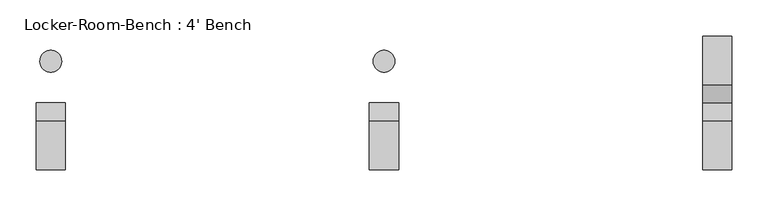
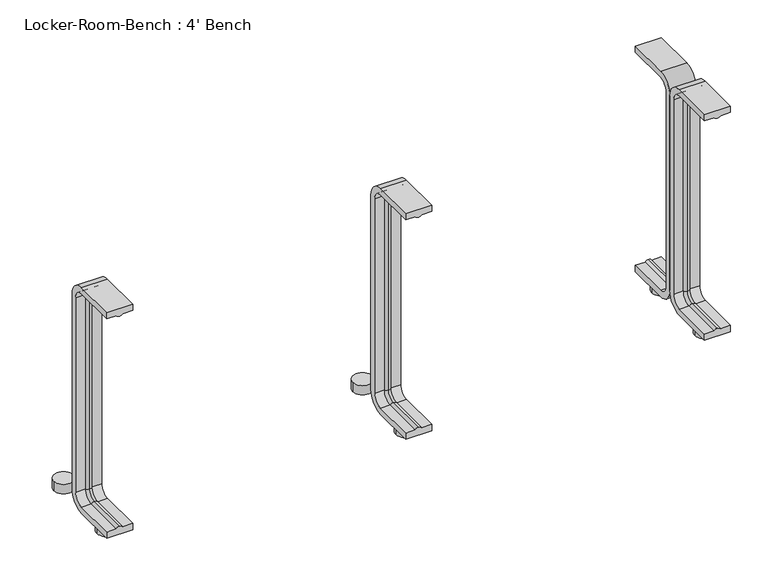
"""IFC4 building model written with IfcOpenShell, lengths in millimetres: furniture geometry, Locker-Room-Bench : 4' Bench."""

from ifc_helpers import new_model, si_unit, point, frame, frame_2d, origin, origin_with_axes, place, context, project, spatial, polyline, circle_curve, ellipse_curve, trimmed, segment, composite_curve, outline, extrude, source, transform, mapped, element, save
from ifc_brep_helpers import plane_surface, cylinder_surface, revolved_surface, advanced_brep


def locker_room_bench_4_bench_e8f070b9(model_context):
    return source(origin(), model_context, "Body", "SolidModel", [
        extrude(outline(composite_curve([segment(trimmed(circle_curve(frame_2d((459.6, 57.5)), 15.0), [point((444.6, 57.5))], [point((474.6, 57.5))], False, "CARTESIAN"), True, "CONTINUOUS"), segment(trimmed(circle_curve(frame_2d((459.6, 57.5)), 15.0), [point((474.6, 57.5))], [point((444.6, 57.5))], False, "CARTESIAN"), True, "CONTINUOUS")], self_intersect=False)), origin_with_axes(), (0.0, 0.0, 1.0), 15.0),
        extrude(outline(composite_curve([segment(trimmed(circle_curve(frame_2d((459.6, -57.5)), 15.0), [point((444.6, -57.5))], [point((474.6, -57.5))], False, "CARTESIAN"), True, "CONTINUOUS"), segment(trimmed(circle_curve(frame_2d((459.6, -57.5)), 15.0), [point((474.6, -57.5))], [point((444.6, -57.5))], False, "CARTESIAN"), True, "CONTINUOUS")], self_intersect=False)), origin_with_axes(), (0.0, 0.0, 1.0), 15.0),
        extrude(outline(composite_curve([segment(trimmed(circle_curve(frame_2d((0.0, 57.5)), 15.0), [point((-15.0, 57.5))], [point((15.0, 57.5))], False, "CARTESIAN"), True, "CONTINUOUS"), segment(trimmed(circle_curve(frame_2d((0.0, 57.5)), 15.0), [point((15.0, 57.5))], [point((-15.0, 57.5))], False, "CARTESIAN"), True, "CONTINUOUS")], self_intersect=False)), origin_with_axes(), (0.0, 0.0, 1.0), 15.0),
        extrude(outline(composite_curve([segment(trimmed(circle_curve(frame_2d((0.0, -57.5)), 15.0), [point((-15.0, -57.5))], [point((15.0, -57.5))], False, "CARTESIAN"), True, "CONTINUOUS"), segment(trimmed(circle_curve(frame_2d((0.0, -57.5)), 15.0), [point((15.0, -57.5))], [point((-15.0, -57.5))], False, "CARTESIAN"), True, "CONTINUOUS")], self_intersect=False)), origin_with_axes(), (0.0, 0.0, 1.0), 15.0),
        extrude(outline(composite_curve([segment(trimmed(circle_curve(frame_2d((-459.6, 57.5)), 15.0), [point((-474.6, 57.5))], [point((-444.6, 57.5))], False, "CARTESIAN"), True, "CONTINUOUS"), segment(trimmed(circle_curve(frame_2d((-459.6, 57.5)), 15.0), [point((-444.6, 57.5))], [point((-474.6, 57.5))], False, "CARTESIAN"), True, "CONTINUOUS")], self_intersect=False)), origin_with_axes(), (0.0, 0.0, 1.0), 15.0),
        extrude(outline(composite_curve([segment(trimmed(circle_curve(frame_2d((-459.6, -57.5)), 15.0), [point((-474.6, -57.5))], [point((-444.6, -57.5))], False, "CARTESIAN"), True, "CONTINUOUS"), segment(trimmed(circle_curve(frame_2d((-459.6, -57.5)), 15.0), [point((-444.6, -57.5))], [point((-474.6, -57.5))], False, "CARTESIAN"), True, "CONTINUOUS")], self_intersect=False)), origin_with_axes(), (0.0, 0.0, 1.0), 15.0),
        advanced_brep(
        [(479.6, -92.0, 381.4), (439.6, -92.0, 381.4), (439.6, -92.0, 371.4), (454.6, -92.0, 371.4), (459.6, -92.0, 369.0684617), (464.6, -92.0, 371.4), (479.6, -92.0, 371.4), (479.6, -25.0, 371.4), (479.6, -10.0, 356.4), (479.6, -10.0, 40.0), (479.6, -25.0, 25.0), (479.6, -92.0, 25.0), (479.6, -92.0, 15.0), (479.6, -25.0, 15.0), (479.6, 0.0, 40.0), (479.6, 0.0, 356.4), (479.6, -25.0, 381.4), (464.6, -25.0, 371.4), (459.6, -25.0, 369.0684617), (454.6, -25.0, 371.4), (439.6, -25.0, 371.4), (439.6, -25.0, 381.4), (439.6, 0.0, 356.4), (439.6, 0.0, 40.0), (439.6, -25.0, 15.0), (439.6, -92.0, 15.0), (439.6, -92.0, 25.0), (439.6, -25.0, 25.0), (439.6, -10.0, 40.0), (439.6, -10.0, 356.4), (464.6, -10.0, 356.4), (459.6, -12.3315383, 356.4), (454.6, -10.0, 356.4), (464.6, -10.0, 40.0), (459.6, -12.3315383, 40.0), (454.6, -10.0, 40.0), (464.6, -25.0, 25.0), (459.6, -25.0, 27.3315383), (454.6, -25.0, 25.0), (464.6, -92.0, 25.0), (459.6, -92.0, 27.3315383), (454.6, -92.0, 25.0)],
        [
            (0, 1),
            (1, 2),
            (2, 3),
            (3, 4, circle_curve(frame((459.3003591, -92.0, 374.9529162), z_axis=(0.0, -1.0, 0.0), x_axis=(0.0, 0.0, -1.0)), 5.8920785)),
            (4, 5, circle_curve(frame((459.8996409, -92.0, 374.9529162), z_axis=(0.0, -1.0, 0.0), x_axis=(0.0, 0.0, -1.0)), 5.8920785)),
            (5, 6),
            (6, 0),
            (6, 7),
            (7, 8, circle_curve(frame((479.6, -25.0, 356.4), z_axis=(-1.0, 0.0, 0.0), x_axis=(0.0, 0.0, 1.0)), 15.0)),
            (8, 9),
            (9, 10, circle_curve(frame((479.6, -25.0, 40.0), z_axis=(-1.0, 0.0, 0.0), x_axis=(0.0, 1.0, 0.0)), 15.0)),
            (10, 11),
            (11, 12),
            (12, 13),
            (13, 14, circle_curve(frame((479.6, -25.0, 40.0), z_axis=(1.0, 0.0, 0.0), x_axis=(0.0, 1.0, 0.0)), 25.0)),
            (14, 15),
            (15, 16, circle_curve(frame((479.6, -25.0, 356.4), z_axis=(1.0, 0.0, 0.0), x_axis=(0.0, 0.0, 1.0)), 25.0)),
            (16, 0),
            (5, 17),
            (17, 7),
            (4, 18),
            (18, 17, circle_curve(frame((459.8996409, -25.0, 374.9529162), z_axis=(0.0, -1.0, 0.0), x_axis=(0.0, 0.0, -1.0)), 5.8920785)),
            (3, 19),
            (19, 18, circle_curve(frame((459.3003591, -25.0, 374.9529162), z_axis=(0.0, -1.0, 0.0), x_axis=(0.0, 0.0, -1.0)), 5.8920785)),
            (2, 20),
            (20, 19),
            (1, 21),
            (21, 22, circle_curve(frame((439.6, -25.0, 356.4), z_axis=(-1.0, 0.0, 0.0), x_axis=(0.0, 0.0, 1.0)), 25.0)),
            (22, 23),
            (23, 24, circle_curve(frame((439.6, -25.0, 40.0), z_axis=(-1.0, 0.0, 0.0), x_axis=(0.0, 1.0, 0.0)), 25.0)),
            (24, 25),
            (25, 26),
            (26, 27),
            (27, 28, circle_curve(frame((439.6, -25.0, 40.0), z_axis=(1.0, 0.0, 0.0), x_axis=(0.0, 1.0, 0.0)), 15.0)),
            (28, 29),
            (29, 20, circle_curve(frame((439.6, -25.0, 356.4), z_axis=(1.0, 0.0, 0.0), x_axis=(0.0, 0.0, 1.0)), 15.0)),
            (16, 21),
            (30, 8),
            (17, 30, circle_curve(frame((464.6, -25.0, 356.4), z_axis=(-1.0, 0.0, 0.0), x_axis=(0.0, 0.0, 1.0)), 15.0)),
            (31, 30, circle_curve(frame((459.8996409, -6.4470838, 356.4), z_axis=(0.0, 0.0, 1.0), x_axis=(0.0, -1.0, 0.0)), 5.8920785)),
            (18, 31, circle_curve(frame((459.6, -25.0, 356.4), z_axis=(-1.0, 0.0, 0.0), x_axis=(0.0, 0.0, 1.0)), 12.6684617)),
            (32, 31, circle_curve(frame((459.3003591, -6.4470838, 356.4), z_axis=(0.0, 0.0, 1.0), x_axis=(0.0, -1.0, 0.0)), 5.8920785)),
            (19, 32, circle_curve(frame((454.6, -25.0, 356.4), z_axis=(-1.0, 0.0, 0.0), x_axis=(0.0, 0.0, 1.0)), 15.0)),
            (29, 32),
            (15, 22),
            (30, 33),
            (33, 9),
            (31, 34),
            (34, 33, circle_curve(frame((459.8996409, -6.4470838, 40.0), z_axis=(0.0, 0.0, 1.0), x_axis=(0.0, -1.0, 0.0)), 5.8920785)),
            (32, 35),
            (35, 34, circle_curve(frame((459.3003591, -6.4470838, 40.0), z_axis=(0.0, 0.0, 1.0), x_axis=(0.0, -1.0, 0.0)), 5.8920785)),
            (28, 35),
            (14, 23),
            (36, 10),
            (33, 36, circle_curve(frame((464.6, -25.0, 40.0), z_axis=(-1.0, 0.0, 0.0), x_axis=(0.0, 1.0, 0.0)), 15.0)),
            (37, 36, circle_curve(frame((459.8996409, -25.0, 21.4470838), z_axis=(0.0, 1.0, 0.0), x_axis=(0.0, 0.0, 1.0)), 5.8920785)),
            (34, 37, circle_curve(frame((459.6, -25.0, 40.0), z_axis=(-1.0, 0.0, 0.0), x_axis=(0.0, 1.0, 0.0)), 12.6684617)),
            (38, 37, circle_curve(frame((459.3003591, -25.0, 21.4470838), z_axis=(0.0, 1.0, 0.0), x_axis=(0.0, 0.0, 1.0)), 5.8920785)),
            (35, 38, circle_curve(frame((454.6, -25.0, 40.0), z_axis=(-1.0, 0.0, 0.0), x_axis=(0.0, 1.0, 0.0)), 15.0)),
            (27, 38),
            (13, 24),
            (11, 39),
            (39, 40, circle_curve(frame((459.8996409, -92.0, 21.4470838), z_axis=(0.0, -1.0, 0.0), x_axis=(0.0, 0.0, 1.0)), 5.8920785)),
            (40, 41, circle_curve(frame((459.3003591, -92.0, 21.4470838), z_axis=(0.0, -1.0, 0.0), x_axis=(0.0, 0.0, 1.0)), 5.8920785)),
            (41, 26),
            (25, 12),
            (36, 39),
            (37, 40),
            (38, 41),
        ],
        [
            plane_surface(frame((459.6, -92.0, 381.4), z_axis=(0.0, -1.0, 0.0), x_axis=(1.0, 0.0, 0.0))),
            plane_surface(frame((479.6, -92.0, 381.4), z_axis=(1.0, 0.0, 0.0), x_axis=(0.0, 1.0, 0.0))),
            plane_surface(frame((479.6, -92.0, 371.4), z_axis=(0.0, 0.0, -1.0), x_axis=(0.0, 1.0, 0.0))),
            cylinder_surface(frame((459.8996409, -92.0, 374.9529162), z_axis=(0.0, -1.0, 0.0), x_axis=(0.0, 0.0, -1.0)), 5.8920785),
            cylinder_surface(frame((459.3003591, -92.0, 374.9529162), z_axis=(0.0, -1.0, 0.0), x_axis=(0.0, 0.0, -1.0)), 5.8920785),
            plane_surface(frame((454.6, -92.0, 371.4), z_axis=(0.0, 0.0, -1.0), x_axis=(0.0, 1.0, 0.0))),
            plane_surface(frame((439.6, -92.0, 371.4), z_axis=(-1.0, 0.0, 0.0), x_axis=(0.0, 1.0, 0.0))),
            plane_surface(frame((439.6, -92.0, 381.4), z_axis=(0.0, 0.0, 1.0), x_axis=(0.0, 1.0, 0.0))),
            revolved_surface(polyline([(479.6, -25.0, 371.4), (464.6, -25.0, 371.4)]), (459.6, -25.0, 356.4), (1.0, 0.0, 0.0)),
            revolved_surface(trimmed(ellipse_curve(frame((459.8996409, -25.0, 374.9529162), z_axis=(0.0, 1.0, 0.0), x_axis=(0.0, 0.0, -1.0)), 5.8920785, 5.8920785), [point((464.6, -25.0, 371.4))], [point((459.6, -25.0, 369.0684617))], True, "CARTESIAN"), (459.6, -25.0, 356.4), (1.0, 0.0, 0.0)),
            revolved_surface(trimmed(ellipse_curve(frame((459.3003591, -25.0, 374.9529162), z_axis=(0.0, 1.0, 0.0), x_axis=(0.0, 0.0, -1.0)), 5.8920785, 5.8920785), [point((459.6, -25.0, 369.0684617))], [point((454.6, -25.0, 371.4))], True, "CARTESIAN"), (459.6, -25.0, 356.4), (1.0, 0.0, 0.0)),
            revolved_surface(polyline([(454.6, -25.0, 371.4), (439.6, -25.0, 371.4)]), (459.6, -25.0, 356.4), (1.0, 0.0, 0.0)),
            cylinder_surface(frame((459.6, -25.0, 356.4), z_axis=(1.0, 0.0, 0.0), x_axis=(0.0, 0.0, 1.0)), 25.0),
            plane_surface(frame((479.6, -10.0, 356.4), z_axis=(0.0, -1.0, 0.0), x_axis=(0.0, 0.0, -1.0))),
            cylinder_surface(frame((459.8996409, -6.4470838, 356.4), z_axis=(0.0, 0.0, 1.0), x_axis=(0.0, -1.0, 0.0)), 5.8920785),
            cylinder_surface(frame((459.3003591, -6.4470838, 356.4), z_axis=(0.0, 0.0, 1.0), x_axis=(0.0, -1.0, 0.0)), 5.8920785),
            plane_surface(frame((454.6, -10.0, 356.4), z_axis=(0.0, -1.0, 0.0), x_axis=(0.0, 0.0, -1.0))),
            plane_surface(frame((439.6, 0.0, 356.4), z_axis=(0.0, 1.0, 0.0), x_axis=(0.0, 0.0, -1.0))),
            revolved_surface(polyline([(479.6, -10.0, 40.0), (464.6, -10.0, 40.0)]), (459.6, -25.0, 40.0), (1.0, 0.0, 0.0)),
            revolved_surface(trimmed(ellipse_curve(frame((459.8996409, -6.4470838, 40.0), z_axis=(0.0, 0.0, -1.0), x_axis=(0.0, -1.0, 0.0)), 5.8920785, 5.8920785), [point((464.6, -10.0, 40.0))], [point((459.6, -12.3315383, 40.0))], True, "CARTESIAN"), (459.6, -25.0, 40.0), (1.0, 0.0, 0.0)),
            revolved_surface(trimmed(ellipse_curve(frame((459.3003591, -6.4470838, 40.0), z_axis=(0.0, 0.0, -1.0), x_axis=(0.0, -1.0, 0.0)), 5.8920785, 5.8920785), [point((459.6, -12.3315383, 40.0))], [point((454.6, -10.0, 40.0))], True, "CARTESIAN"), (459.6, -25.0, 40.0), (1.0, 0.0, 0.0)),
            revolved_surface(polyline([(454.6, -10.0, 40.0), (439.6, -10.0, 40.0)]), (459.6, -25.0, 40.0), (1.0, 0.0, 0.0)),
            cylinder_surface(frame((459.6, -25.0, 40.0), z_axis=(1.0, 0.0, 0.0), x_axis=(0.0, 1.0, 0.0)), 25.0),
            plane_surface(frame((459.6, -92.0, 15.0), z_axis=(0.0, -1.0, 0.0), x_axis=(1.0, 0.0, 0.0))),
            plane_surface(frame((479.6, -25.0, 25.0), z_axis=(0.0, 0.0, 1.0), x_axis=(0.0, -1.0, 0.0))),
            cylinder_surface(frame((459.8996409, -25.0, 21.4470838), z_axis=(0.0, 1.0, 0.0), x_axis=(0.0, 0.0, 1.0)), 5.8920785),
            cylinder_surface(frame((459.3003591, -25.0, 21.4470838), z_axis=(0.0, 1.0, 0.0), x_axis=(0.0, 0.0, 1.0)), 5.8920785),
            plane_surface(frame((454.6, -25.0, 25.0), z_axis=(0.0, 0.0, 1.0), x_axis=(0.0, -1.0, 0.0))),
            plane_surface(frame((439.6, -25.0, 15.0), z_axis=(0.0, 0.0, -1.0), x_axis=(0.0, -1.0, 0.0))),
        ],
        [
            (0, [[1, 2, 3, 4, 5, 6, 7]]),
            (1, [[8, 9, 10, 11, 12, 13, 14, 15, 16, 17, 18, -7]]),
            (2, [[19, 20, -8, -6]]),
            (3, [[21, 22, -19, -5]]),
            (4, [[23, 24, -21, -4]]),
            (5, [[25, 26, -23, -3]]),
            (6, [[27, 28, 29, 30, 31, 32, 33, 34, 35, 36, -25, -2]]),
            (7, [[-18, 37, -27, -1]]),
            (8, [[38, -9, -20, 39]]),
            (9, [[40, -39, -22, 41]]),
            (10, [[42, -41, -24, 43]]),
            (11, [[44, -43, -26, -36]]),
            (12, [[45, -28, -37, -17]]),
            (13, [[46, 47, -10, -38]]),
            (14, [[48, 49, -46, -40]]),
            (15, [[50, 51, -48, -42]]),
            (16, [[-35, 52, -50, -44]]),
            (17, [[-16, 53, -29, -45]]),
            (18, [[54, -11, -47, 55]]),
            (19, [[56, -55, -49, 57]]),
            (20, [[58, -57, -51, 59]]),
            (21, [[60, -59, -52, -34]]),
            (22, [[61, -30, -53, -15]]),
            (23, [[-13, 62, 63, 64, 65, -32, 66]]),
            (24, [[67, -62, -12, -54]]),
            (25, [[68, -63, -67, -56]]),
            (26, [[69, -64, -68, -58]]),
            (27, [[-33, -65, -69, -60]]),
            (28, [[-14, -66, -31, -61]]),
        ],
    ),
        advanced_brep(
        [(20.0, -92.0, 381.4), (-20.0, -92.0, 381.4), (-20.0, -92.0, 371.4), (-5.0, -92.0, 371.4), (0.0, -92.0, 369.0684617), (5.0, -92.0, 371.4), (20.0, -92.0, 371.4), (20.0, -25.0, 371.4), (20.0, -10.0, 356.4), (20.0, -10.0, 40.0), (20.0, -25.0, 25.0), (20.0, -92.0, 25.0), (20.0, -92.0, 15.0), (20.0, -25.0, 15.0), (20.0, 0.0, 40.0), (20.0, 0.0, 356.4), (20.0, -25.0, 381.4), (5.0, -25.0, 371.4), (0.0, -25.0, 369.0684617), (-5.0, -25.0, 371.4), (-20.0, -25.0, 371.4), (-20.0, -25.0, 381.4), (-20.0, 0.0, 356.4), (-20.0, 0.0, 40.0), (-20.0, -25.0, 15.0), (-20.0, -92.0, 15.0), (-20.0, -92.0, 25.0), (-20.0, -25.0, 25.0), (-20.0, -10.0, 40.0), (-20.0, -10.0, 356.4), (5.0, -10.0, 356.4), (0.0, -12.3315383, 356.4), (-5.0, -10.0, 356.4), (5.0, -10.0, 40.0), (0.0, -12.3315383, 40.0), (-5.0, -10.0, 40.0), (5.0, -25.0, 25.0), (0.0, -25.0, 27.3315383), (-5.0, -25.0, 25.0), (5.0, -92.0, 25.0), (0.0, -92.0, 27.3315383), (-5.0, -92.0, 25.0)],
        [
            (0, 1),
            (1, 2),
            (2, 3),
            (3, 4, circle_curve(frame((-0.2996409, -92.0, 374.9529162), z_axis=(0.0, -1.0, 0.0), x_axis=(0.0, 0.0, -1.0)), 5.8920785)),
            (4, 5, circle_curve(frame((0.2996409, -92.0, 374.9529162), z_axis=(0.0, -1.0, 0.0), x_axis=(0.0, 0.0, -1.0)), 5.8920785)),
            (5, 6),
            (6, 0),
            (6, 7),
            (7, 8, circle_curve(frame((20.0, -25.0, 356.4), z_axis=(-1.0, 0.0, 0.0), x_axis=(0.0, 0.0, 1.0)), 15.0)),
            (8, 9),
            (9, 10, circle_curve(frame((20.0, -25.0, 40.0), z_axis=(-1.0, 0.0, 0.0), x_axis=(0.0, 1.0, 0.0)), 15.0)),
            (10, 11),
            (11, 12),
            (12, 13),
            (13, 14, circle_curve(frame((20.0, -25.0, 40.0), z_axis=(1.0, 0.0, 0.0), x_axis=(0.0, 1.0, 0.0)), 25.0)),
            (14, 15),
            (15, 16, circle_curve(frame((20.0, -25.0, 356.4), z_axis=(1.0, 0.0, 0.0), x_axis=(0.0, 0.0, 1.0)), 25.0)),
            (16, 0),
            (5, 17),
            (17, 7),
            (4, 18),
            (18, 17, circle_curve(frame((0.2996409, -25.0, 374.9529162), z_axis=(0.0, -1.0, 0.0), x_axis=(0.0, 0.0, -1.0)), 5.8920785)),
            (3, 19),
            (19, 18, circle_curve(frame((-0.2996409, -25.0, 374.9529162), z_axis=(0.0, -1.0, 0.0), x_axis=(0.0, 0.0, -1.0)), 5.8920785)),
            (2, 20),
            (20, 19),
            (1, 21),
            (21, 22, circle_curve(frame((-20.0, -25.0, 356.4), z_axis=(-1.0, 0.0, 0.0), x_axis=(0.0, 0.0, 1.0)), 25.0)),
            (22, 23),
            (23, 24, circle_curve(frame((-20.0, -25.0, 40.0), z_axis=(-1.0, 0.0, 0.0), x_axis=(0.0, 1.0, 0.0)), 25.0)),
            (24, 25),
            (25, 26),
            (26, 27),
            (27, 28, circle_curve(frame((-20.0, -25.0, 40.0), z_axis=(1.0, 0.0, 0.0), x_axis=(0.0, 1.0, 0.0)), 15.0)),
            (28, 29),
            (29, 20, circle_curve(frame((-20.0, -25.0, 356.4), z_axis=(1.0, 0.0, 0.0), x_axis=(0.0, 0.0, 1.0)), 15.0)),
            (16, 21),
            (30, 8),
            (17, 30, circle_curve(frame((5.0, -25.0, 356.4), z_axis=(-1.0, 0.0, 0.0), x_axis=(0.0, 0.0, 1.0)), 15.0)),
            (31, 30, circle_curve(frame((0.2996409, -6.4470838, 356.4), z_axis=(0.0, 0.0, 1.0), x_axis=(0.0, -1.0, 0.0)), 5.8920785)),
            (18, 31, circle_curve(frame((0.0, -25.0, 356.4), z_axis=(-1.0, 0.0, 0.0), x_axis=(0.0, 0.0, 1.0)), 12.6684617)),
            (32, 31, circle_curve(frame((-0.2996409, -6.4470838, 356.4), z_axis=(0.0, 0.0, 1.0), x_axis=(0.0, -1.0, 0.0)), 5.8920785)),
            (19, 32, circle_curve(frame((-5.0, -25.0, 356.4), z_axis=(-1.0, 0.0, 0.0), x_axis=(0.0, 0.0, 1.0)), 15.0)),
            (29, 32),
            (15, 22),
            (30, 33),
            (33, 9),
            (31, 34),
            (34, 33, circle_curve(frame((0.2996409, -6.4470838, 40.0), z_axis=(0.0, 0.0, 1.0), x_axis=(0.0, -1.0, 0.0)), 5.8920785)),
            (32, 35),
            (35, 34, circle_curve(frame((-0.2996409, -6.4470838, 40.0), z_axis=(0.0, 0.0, 1.0), x_axis=(0.0, -1.0, 0.0)), 5.8920785)),
            (28, 35),
            (14, 23),
            (36, 10),
            (33, 36, circle_curve(frame((5.0, -25.0, 40.0), z_axis=(-1.0, 0.0, 0.0), x_axis=(0.0, 1.0, 0.0)), 15.0)),
            (37, 36, circle_curve(frame((0.2996409, -25.0, 21.4470838), z_axis=(0.0, 1.0, 0.0), x_axis=(0.0, 0.0, 1.0)), 5.8920785)),
            (34, 37, circle_curve(frame((0.0, -25.0, 40.0), z_axis=(-1.0, 0.0, 0.0), x_axis=(0.0, 1.0, 0.0)), 12.6684617)),
            (38, 37, circle_curve(frame((-0.2996409, -25.0, 21.4470838), z_axis=(0.0, 1.0, 0.0), x_axis=(0.0, 0.0, 1.0)), 5.8920785)),
            (35, 38, circle_curve(frame((-5.0, -25.0, 40.0), z_axis=(-1.0, 0.0, 0.0), x_axis=(0.0, 1.0, 0.0)), 15.0)),
            (27, 38),
            (13, 24),
            (11, 39),
            (39, 40, circle_curve(frame((0.2996409, -92.0, 21.4470838), z_axis=(0.0, -1.0, 0.0), x_axis=(0.0, 0.0, 1.0)), 5.8920785)),
            (40, 41, circle_curve(frame((-0.2996409, -92.0, 21.4470838), z_axis=(0.0, -1.0, 0.0), x_axis=(0.0, 0.0, 1.0)), 5.8920785)),
            (41, 26),
            (25, 12),
            (36, 39),
            (37, 40),
            (38, 41),
        ],
        [
            plane_surface(frame((0.0, -92.0, 381.4), z_axis=(0.0, -1.0, 0.0), x_axis=(1.0, 0.0, 0.0))),
            plane_surface(frame((20.0, -92.0, 381.4), z_axis=(1.0, 0.0, 0.0), x_axis=(0.0, 1.0, 0.0))),
            plane_surface(frame((20.0, -92.0, 371.4), z_axis=(0.0, 0.0, -1.0), x_axis=(0.0, 1.0, 0.0))),
            cylinder_surface(frame((0.2996409, -92.0, 374.9529162), z_axis=(0.0, -1.0, 0.0), x_axis=(0.0, 0.0, -1.0)), 5.8920785),
            cylinder_surface(frame((-0.2996409, -92.0, 374.9529162), z_axis=(0.0, -1.0, 0.0), x_axis=(0.0, 0.0, -1.0)), 5.8920785),
            plane_surface(frame((-5.0, -92.0, 371.4), z_axis=(0.0, 0.0, -1.0), x_axis=(0.0, 1.0, 0.0))),
            plane_surface(frame((-20.0, -92.0, 371.4), z_axis=(-1.0, 0.0, 0.0), x_axis=(0.0, 1.0, 0.0))),
            plane_surface(frame((-20.0, -92.0, 381.4), z_axis=(0.0, 0.0, 1.0), x_axis=(0.0, 1.0, 0.0))),
            revolved_surface(polyline([(20.0, -25.0, 371.4), (5.0, -25.0, 371.4)]), (0.0, -25.0, 356.4), (1.0, 0.0, 0.0)),
            revolved_surface(trimmed(ellipse_curve(frame((0.2996409, -25.0, 374.9529162), z_axis=(0.0, 1.0, 0.0), x_axis=(0.0, 0.0, -1.0)), 5.8920785, 5.8920785), [point((5.0, -25.0, 371.4))], [point((0.0, -25.0, 369.0684617))], True, "CARTESIAN"), (0.0, -25.0, 356.4), (1.0, 0.0, 0.0)),
            revolved_surface(trimmed(ellipse_curve(frame((-0.2996409, -25.0, 374.9529162), z_axis=(0.0, 1.0, 0.0), x_axis=(0.0, 0.0, -1.0)), 5.8920785, 5.8920785), [point((0.0, -25.0, 369.0684617))], [point((-5.0, -25.0, 371.4))], True, "CARTESIAN"), (0.0, -25.0, 356.4), (1.0, 0.0, 0.0)),
            revolved_surface(polyline([(-5.0, -25.0, 371.4), (-20.0, -25.0, 371.4)]), (0.0, -25.0, 356.4), (1.0, 0.0, 0.0)),
            cylinder_surface(frame((0.0, -25.0, 356.4), z_axis=(1.0, 0.0, 0.0), x_axis=(0.0, 0.0, 1.0)), 25.0),
            plane_surface(frame((20.0, -10.0, 356.4), z_axis=(0.0, -1.0, 0.0), x_axis=(0.0, 0.0, -1.0))),
            cylinder_surface(frame((0.2996409, -6.4470838, 356.4), z_axis=(0.0, 0.0, 1.0), x_axis=(0.0, -1.0, 0.0)), 5.8920785),
            cylinder_surface(frame((-0.2996409, -6.4470838, 356.4), z_axis=(0.0, 0.0, 1.0), x_axis=(0.0, -1.0, 0.0)), 5.8920785),
            plane_surface(frame((-5.0, -10.0, 356.4), z_axis=(0.0, -1.0, 0.0), x_axis=(0.0, 0.0, -1.0))),
            plane_surface(frame((-20.0, 0.0, 356.4), z_axis=(0.0, 1.0, 0.0), x_axis=(0.0, 0.0, -1.0))),
            revolved_surface(polyline([(20.0, -10.0, 40.0), (5.0, -10.0, 40.0)]), (0.0, -25.0, 40.0), (1.0, 0.0, 0.0)),
            revolved_surface(trimmed(ellipse_curve(frame((0.2996409, -6.4470838, 40.0), z_axis=(0.0, 0.0, -1.0), x_axis=(0.0, -1.0, 0.0)), 5.8920785, 5.8920785), [point((5.0, -10.0, 40.0))], [point((0.0, -12.3315383, 40.0))], True, "CARTESIAN"), (0.0, -25.0, 40.0), (1.0, 0.0, 0.0)),
            revolved_surface(trimmed(ellipse_curve(frame((-0.2996409, -6.4470838, 40.0), z_axis=(0.0, 0.0, -1.0), x_axis=(0.0, -1.0, 0.0)), 5.8920785, 5.8920785), [point((0.0, -12.3315383, 40.0))], [point((-5.0, -10.0, 40.0))], True, "CARTESIAN"), (0.0, -25.0, 40.0), (1.0, 0.0, 0.0)),
            revolved_surface(polyline([(-5.0, -10.0, 40.0), (-20.0, -10.0, 40.0)]), (0.0, -25.0, 40.0), (1.0, 0.0, 0.0)),
            cylinder_surface(frame((0.0, -25.0, 40.0), z_axis=(1.0, 0.0, 0.0), x_axis=(0.0, 1.0, 0.0)), 25.0),
            plane_surface(frame((0.0, -92.0, 15.0), z_axis=(0.0, -1.0, 0.0), x_axis=(1.0, 0.0, 0.0))),
            plane_surface(frame((20.0, -25.0, 25.0), z_axis=(0.0, 0.0, 1.0), x_axis=(0.0, -1.0, 0.0))),
            cylinder_surface(frame((0.2996409, -25.0, 21.4470838), z_axis=(0.0, 1.0, 0.0), x_axis=(0.0, 0.0, 1.0)), 5.8920785),
            cylinder_surface(frame((-0.2996409, -25.0, 21.4470838), z_axis=(0.0, 1.0, 0.0), x_axis=(0.0, 0.0, 1.0)), 5.8920785),
            plane_surface(frame((-5.0, -25.0, 25.0), z_axis=(0.0, 0.0, 1.0), x_axis=(0.0, -1.0, 0.0))),
            plane_surface(frame((-20.0, -25.0, 15.0), z_axis=(0.0, 0.0, -1.0), x_axis=(0.0, -1.0, 0.0))),
        ],
        [
            (0, [[1, 2, 3, 4, 5, 6, 7]]),
            (1, [[8, 9, 10, 11, 12, 13, 14, 15, 16, 17, 18, -7]]),
            (2, [[19, 20, -8, -6]]),
            (3, [[21, 22, -19, -5]]),
            (4, [[23, 24, -21, -4]]),
            (5, [[25, 26, -23, -3]]),
            (6, [[27, 28, 29, 30, 31, 32, 33, 34, 35, 36, -25, -2]]),
            (7, [[-18, 37, -27, -1]]),
            (8, [[38, -9, -20, 39]]),
            (9, [[40, -39, -22, 41]]),
            (10, [[42, -41, -24, 43]]),
            (11, [[44, -43, -26, -36]]),
            (12, [[45, -28, -37, -17]]),
            (13, [[46, 47, -10, -38]]),
            (14, [[48, 49, -46, -40]]),
            (15, [[50, 51, -48, -42]]),
            (16, [[-35, 52, -50, -44]]),
            (17, [[-16, 53, -29, -45]]),
            (18, [[54, -11, -47, 55]]),
            (19, [[56, -55, -49, 57]]),
            (20, [[58, -57, -51, 59]]),
            (21, [[60, -59, -52, -34]]),
            (22, [[61, -30, -53, -15]]),
            (23, [[-13, 62, 63, 64, 65, -32, 66]]),
            (24, [[67, -62, -12, -54]]),
            (25, [[68, -63, -67, -56]]),
            (26, [[69, -64, -68, -58]]),
            (27, [[-33, -65, -69, -60]]),
            (28, [[-14, -66, -31, -61]]),
        ],
    ),
        advanced_brep(
        [(-439.6, -92.0, 381.4), (-479.6, -92.0, 381.4), (-479.6, -92.0, 371.4), (-464.6, -92.0, 371.4), (-459.6, -92.0, 369.0684617), (-454.6, -92.0, 371.4), (-439.6, -92.0, 371.4), (-439.6, -25.0, 371.4), (-439.6, -10.0, 356.4), (-439.6, -10.0, 40.0), (-439.6, -25.0, 25.0), (-439.6, -92.0, 25.0), (-439.6, -92.0, 15.0), (-439.6, -25.0, 15.0), (-439.6, 0.0, 40.0), (-439.6, 0.0, 356.4), (-439.6, -25.0, 381.4), (-454.6, -25.0, 371.4), (-459.6, -25.0, 369.0684617), (-464.6, -25.0, 371.4), (-479.6, -25.0, 371.4), (-479.6, -25.0, 381.4), (-479.6, 0.0, 356.4), (-479.6, 0.0, 40.0), (-479.6, -25.0, 15.0), (-479.6, -92.0, 15.0), (-479.6, -92.0, 25.0), (-479.6, -25.0, 25.0), (-479.6, -10.0, 40.0), (-479.6, -10.0, 356.4), (-454.6, -10.0, 356.4), (-459.6, -12.3315383, 356.4), (-464.6, -10.0, 356.4), (-454.6, -10.0, 40.0), (-459.6, -12.3315383, 40.0), (-464.6, -10.0, 40.0), (-454.6, -25.0, 25.0), (-459.6, -25.0, 27.3315383), (-464.6, -25.0, 25.0), (-454.6, -92.0, 25.0), (-459.6, -92.0, 27.3315383), (-464.6, -92.0, 25.0)],
        [
            (0, 1),
            (1, 2),
            (2, 3),
            (3, 4, circle_curve(frame((-459.8996409, -92.0, 374.9529162), z_axis=(0.0, -1.0, 0.0), x_axis=(0.0, 0.0, -1.0)), 5.8920785)),
            (4, 5, circle_curve(frame((-459.3003591, -92.0, 374.9529162), z_axis=(0.0, -1.0, 0.0), x_axis=(0.0, 0.0, -1.0)), 5.8920785)),
            (5, 6),
            (6, 0),
            (6, 7),
            (7, 8, circle_curve(frame((-439.6, -25.0, 356.4), z_axis=(-1.0, 0.0, 0.0), x_axis=(0.0, 0.0, 1.0)), 15.0)),
            (8, 9),
            (9, 10, circle_curve(frame((-439.6, -25.0, 40.0), z_axis=(-1.0, 0.0, 0.0), x_axis=(0.0, 1.0, 0.0)), 15.0)),
            (10, 11),
            (11, 12),
            (12, 13),
            (13, 14, circle_curve(frame((-439.6, -25.0, 40.0), z_axis=(1.0, 0.0, 0.0), x_axis=(0.0, 1.0, 0.0)), 25.0)),
            (14, 15),
            (15, 16, circle_curve(frame((-439.6, -25.0, 356.4), z_axis=(1.0, 0.0, 0.0), x_axis=(0.0, 0.0, 1.0)), 25.0)),
            (16, 0),
            (5, 17),
            (17, 7),
            (4, 18),
            (18, 17, circle_curve(frame((-459.3003591, -25.0, 374.9529162), z_axis=(0.0, -1.0, 0.0), x_axis=(0.0, 0.0, -1.0)), 5.8920785)),
            (3, 19),
            (19, 18, circle_curve(frame((-459.8996409, -25.0, 374.9529162), z_axis=(0.0, -1.0, 0.0), x_axis=(0.0, 0.0, -1.0)), 5.8920785)),
            (2, 20),
            (20, 19),
            (1, 21),
            (21, 22, circle_curve(frame((-479.6, -25.0, 356.4), z_axis=(-1.0, 0.0, 0.0), x_axis=(0.0, 0.0, 1.0)), 25.0)),
            (22, 23),
            (23, 24, circle_curve(frame((-479.6, -25.0, 40.0), z_axis=(-1.0, 0.0, 0.0), x_axis=(0.0, 1.0, 0.0)), 25.0)),
            (24, 25),
            (25, 26),
            (26, 27),
            (27, 28, circle_curve(frame((-479.6, -25.0, 40.0), z_axis=(1.0, 0.0, 0.0), x_axis=(0.0, 1.0, 0.0)), 15.0)),
            (28, 29),
            (29, 20, circle_curve(frame((-479.6, -25.0, 356.4), z_axis=(1.0, 0.0, 0.0), x_axis=(0.0, 0.0, 1.0)), 15.0)),
            (16, 21),
            (30, 8),
            (17, 30, circle_curve(frame((-454.6, -25.0, 356.4), z_axis=(-1.0, 0.0, 0.0), x_axis=(0.0, 0.0, 1.0)), 15.0)),
            (31, 30, circle_curve(frame((-459.3003591, -6.4470838, 356.4), z_axis=(0.0, 0.0, 1.0), x_axis=(0.0, -1.0, 0.0)), 5.8920785)),
            (18, 31, circle_curve(frame((-459.6, -25.0, 356.4), z_axis=(-1.0, 0.0, 0.0), x_axis=(0.0, 0.0, 1.0)), 12.6684617)),
            (32, 31, circle_curve(frame((-459.8996409, -6.4470838, 356.4), z_axis=(0.0, 0.0, 1.0), x_axis=(0.0, -1.0, 0.0)), 5.8920785)),
            (19, 32, circle_curve(frame((-464.6, -25.0, 356.4), z_axis=(-1.0, 0.0, 0.0), x_axis=(0.0, 0.0, 1.0)), 15.0)),
            (29, 32),
            (15, 22),
            (30, 33),
            (33, 9),
            (31, 34),
            (34, 33, circle_curve(frame((-459.3003591, -6.4470838, 40.0), z_axis=(0.0, 0.0, 1.0), x_axis=(0.0, -1.0, 0.0)), 5.8920785)),
            (32, 35),
            (35, 34, circle_curve(frame((-459.8996409, -6.4470838, 40.0), z_axis=(0.0, 0.0, 1.0), x_axis=(0.0, -1.0, 0.0)), 5.8920785)),
            (28, 35),
            (14, 23),
            (36, 10),
            (33, 36, circle_curve(frame((-454.6, -25.0, 40.0), z_axis=(-1.0, 0.0, 0.0), x_axis=(0.0, 1.0, 0.0)), 15.0)),
            (37, 36, circle_curve(frame((-459.3003591, -25.0, 21.4470838), z_axis=(0.0, 1.0, 0.0), x_axis=(0.0, 0.0, 1.0)), 5.8920785)),
            (34, 37, circle_curve(frame((-459.6, -25.0, 40.0), z_axis=(-1.0, 0.0, 0.0), x_axis=(0.0, 1.0, 0.0)), 12.6684617)),
            (38, 37, circle_curve(frame((-459.8996409, -25.0, 21.4470838), z_axis=(0.0, 1.0, 0.0), x_axis=(0.0, 0.0, 1.0)), 5.8920785)),
            (35, 38, circle_curve(frame((-464.6, -25.0, 40.0), z_axis=(-1.0, 0.0, 0.0), x_axis=(0.0, 1.0, 0.0)), 15.0)),
            (27, 38),
            (13, 24),
            (11, 39),
            (39, 40, circle_curve(frame((-459.3003591, -92.0, 21.4470838), z_axis=(0.0, -1.0, 0.0), x_axis=(0.0, 0.0, 1.0)), 5.8920785)),
            (40, 41, circle_curve(frame((-459.8996409, -92.0, 21.4470838), z_axis=(0.0, -1.0, 0.0), x_axis=(0.0, 0.0, 1.0)), 5.8920785)),
            (41, 26),
            (25, 12),
            (36, 39),
            (37, 40),
            (38, 41),
        ],
        [
            plane_surface(frame((-459.6, -92.0, 381.4), z_axis=(0.0, -1.0, 0.0), x_axis=(1.0, 0.0, 0.0))),
            plane_surface(frame((-439.6, -92.0, 381.4), z_axis=(1.0, 0.0, 0.0), x_axis=(0.0, 1.0, 0.0))),
            plane_surface(frame((-439.6, -92.0, 371.4), z_axis=(0.0, 0.0, -1.0), x_axis=(0.0, 1.0, 0.0))),
            cylinder_surface(frame((-459.3003591, -92.0, 374.9529162), z_axis=(0.0, -1.0, 0.0), x_axis=(0.0, 0.0, -1.0)), 5.8920785),
            cylinder_surface(frame((-459.8996409, -92.0, 374.9529162), z_axis=(0.0, -1.0, 0.0), x_axis=(0.0, 0.0, -1.0)), 5.8920785),
            plane_surface(frame((-464.6, -92.0, 371.4), z_axis=(0.0, 0.0, -1.0), x_axis=(0.0, 1.0, 0.0))),
            plane_surface(frame((-479.6, -92.0, 371.4), z_axis=(-1.0, 0.0, 0.0), x_axis=(0.0, 1.0, 0.0))),
            plane_surface(frame((-479.6, -92.0, 381.4), z_axis=(0.0, 0.0, 1.0), x_axis=(0.0, 1.0, 0.0))),
            revolved_surface(polyline([(-439.6, -25.0, 371.4), (-454.6, -25.0, 371.4)]), (-459.6, -25.0, 356.4), (1.0, 0.0, 0.0)),
            revolved_surface(trimmed(ellipse_curve(frame((-459.3003591, -25.0, 374.9529162), z_axis=(0.0, 1.0, 0.0), x_axis=(0.0, 0.0, -1.0)), 5.8920785, 5.8920785), [point((-454.6, -25.0, 371.4))], [point((-459.6, -25.0, 369.0684617))], True, "CARTESIAN"), (-459.6, -25.0, 356.4), (1.0, 0.0, 0.0)),
            revolved_surface(trimmed(ellipse_curve(frame((-459.8996409, -25.0, 374.9529162), z_axis=(0.0, 1.0, 0.0), x_axis=(0.0, 0.0, -1.0)), 5.8920785, 5.8920785), [point((-459.6, -25.0, 369.0684617))], [point((-464.6, -25.0, 371.4))], True, "CARTESIAN"), (-459.6, -25.0, 356.4), (1.0, 0.0, 0.0)),
            revolved_surface(polyline([(-464.6, -25.0, 371.4), (-479.6, -25.0, 371.4)]), (-459.6, -25.0, 356.4), (1.0, 0.0, 0.0)),
            cylinder_surface(frame((-459.6, -25.0, 356.4), z_axis=(1.0, 0.0, 0.0), x_axis=(0.0, 0.0, 1.0)), 25.0),
            plane_surface(frame((-439.6, -10.0, 356.4), z_axis=(0.0, -1.0, 0.0), x_axis=(0.0, 0.0, -1.0))),
            cylinder_surface(frame((-459.3003591, -6.4470838, 356.4), z_axis=(0.0, 0.0, 1.0), x_axis=(0.0, -1.0, 0.0)), 5.8920785),
            cylinder_surface(frame((-459.8996409, -6.4470838, 356.4), z_axis=(0.0, 0.0, 1.0), x_axis=(0.0, -1.0, 0.0)), 5.8920785),
            plane_surface(frame((-464.6, -10.0, 356.4), z_axis=(0.0, -1.0, 0.0), x_axis=(0.0, 0.0, -1.0))),
            plane_surface(frame((-479.6, 0.0, 356.4), z_axis=(0.0, 1.0, 0.0), x_axis=(0.0, 0.0, -1.0))),
            revolved_surface(polyline([(-439.6, -10.0, 40.0), (-454.6, -10.0, 40.0)]), (-459.6, -25.0, 40.0), (1.0, 0.0, 0.0)),
            revolved_surface(trimmed(ellipse_curve(frame((-459.3003591, -6.4470838, 40.0), z_axis=(0.0, 0.0, -1.0), x_axis=(0.0, -1.0, 0.0)), 5.8920785, 5.8920785), [point((-454.6, -10.0, 40.0))], [point((-459.6, -12.3315383, 40.0))], True, "CARTESIAN"), (-459.6, -25.0, 40.0), (1.0, 0.0, 0.0)),
            revolved_surface(trimmed(ellipse_curve(frame((-459.8996409, -6.4470838, 40.0), z_axis=(0.0, 0.0, -1.0), x_axis=(0.0, -1.0, 0.0)), 5.8920785, 5.8920785), [point((-459.6, -12.3315383, 40.0))], [point((-464.6, -10.0, 40.0))], True, "CARTESIAN"), (-459.6, -25.0, 40.0), (1.0, 0.0, 0.0)),
            revolved_surface(polyline([(-464.6, -10.0, 40.0), (-479.6, -10.0, 40.0)]), (-459.6, -25.0, 40.0), (1.0, 0.0, 0.0)),
            cylinder_surface(frame((-459.6, -25.0, 40.0), z_axis=(1.0, 0.0, 0.0), x_axis=(0.0, 1.0, 0.0)), 25.0),
            plane_surface(frame((-459.6, -92.0, 15.0), z_axis=(0.0, -1.0, 0.0), x_axis=(1.0, 0.0, 0.0))),
            plane_surface(frame((-439.6, -25.0, 25.0), z_axis=(0.0, 0.0, 1.0), x_axis=(0.0, -1.0, 0.0))),
            cylinder_surface(frame((-459.3003591, -25.0, 21.4470838), z_axis=(0.0, 1.0, 0.0), x_axis=(0.0, 0.0, 1.0)), 5.8920785),
            cylinder_surface(frame((-459.8996409, -25.0, 21.4470838), z_axis=(0.0, 1.0, 0.0), x_axis=(0.0, 0.0, 1.0)), 5.8920785),
            plane_surface(frame((-464.6, -25.0, 25.0), z_axis=(0.0, 0.0, 1.0), x_axis=(0.0, -1.0, 0.0))),
            plane_surface(frame((-479.6, -25.0, 15.0), z_axis=(0.0, 0.0, -1.0), x_axis=(0.0, -1.0, 0.0))),
        ],
        [
            (0, [[1, 2, 3, 4, 5, 6, 7]]),
            (1, [[8, 9, 10, 11, 12, 13, 14, 15, 16, 17, 18, -7]]),
            (2, [[19, 20, -8, -6]]),
            (3, [[21, 22, -19, -5]]),
            (4, [[23, 24, -21, -4]]),
            (5, [[25, 26, -23, -3]]),
            (6, [[27, 28, 29, 30, 31, 32, 33, 34, 35, 36, -25, -2]]),
            (7, [[-18, 37, -27, -1]]),
            (8, [[38, -9, -20, 39]]),
            (9, [[40, -39, -22, 41]]),
            (10, [[42, -41, -24, 43]]),
            (11, [[44, -43, -26, -36]]),
            (12, [[45, -28, -37, -17]]),
            (13, [[46, 47, -10, -38]]),
            (14, [[48, 49, -46, -40]]),
            (15, [[50, 51, -48, -42]]),
            (16, [[-35, 52, -50, -44]]),
            (17, [[-16, 53, -29, -45]]),
            (18, [[54, -11, -47, 55]]),
            (19, [[56, -55, -49, 57]]),
            (20, [[58, -57, -51, 59]]),
            (21, [[60, -59, -52, -34]]),
            (22, [[61, -30, -53, -15]]),
            (23, [[-13, 62, 63, 64, 65, -32, 66]]),
            (24, [[67, -62, -12, -54]]),
            (25, [[68, -63, -67, -56]]),
            (26, [[69, -64, -68, -58]]),
            (27, [[-33, -65, -69, -60]]),
            (28, [[-14, -66, -31, -61]]),
        ],
    ),
        advanced_brep(
        [(479.6, 92.0, 381.4), (479.6, 92.0, 371.4), (464.6, 92.0, 371.4), (459.6, 92.0, 369.0684617), (454.6, 92.0, 371.4), (439.6, 92.0, 371.4), (439.6, 92.0, 381.4), (439.6, 25.0, 381.4), (479.6, 25.0, 381.4), (439.6, 25.0, 371.4), (439.6, 10.0, 356.4), (439.6, 10.0, 40.0), (439.6, 25.0, 25.0), (439.6, 92.0, 25.0), (439.6, 92.0, 15.0), (439.6, 25.0, 15.0), (439.6, 0.0, 40.0), (439.6, 0.0, 356.4), (454.6, 25.0, 371.4), (459.6, 25.0, 369.0684617), (464.6, 25.0, 371.4), (479.6, 25.0, 371.4), (479.6, 0.0, 356.4), (479.6, 0.0, 40.0), (479.6, 25.0, 15.0), (479.6, 92.0, 15.0), (479.6, 92.0, 25.0), (479.6, 25.0, 25.0), (479.6, 10.0, 40.0), (479.6, 10.0, 356.4), (454.6, 10.0, 356.4), (459.6, 12.3315383, 356.4), (464.6, 10.0, 356.4), (454.6, 10.0, 40.0), (459.6, 12.3315383, 40.0), (464.6, 10.0, 40.0), (454.6, 25.0, 25.0), (459.6, 25.0, 27.3315383), (464.6, 25.0, 25.0), (454.6, 92.0, 25.0), (459.6, 92.0, 27.3315383), (464.6, 92.0, 25.0)],
        [
            (0, 1),
            (1, 2),
            (2, 3, circle_curve(frame((459.8996409, 92.0, 374.9529162), z_axis=(0.0, 1.0, 0.0), x_axis=(0.0, 0.0, 1.0)), 5.8920785)),
            (3, 4, circle_curve(frame((459.3003591, 92.0, 374.9529162), z_axis=(0.0, 1.0, 0.0), x_axis=(0.0, 0.0, 1.0)), 5.8920785)),
            (4, 5),
            (5, 6),
            (6, 0),
            (6, 7),
            (7, 8),
            (8, 0),
            (5, 9),
            (9, 10, circle_curve(frame((439.6, 25.0, 356.4), z_axis=(1.0, 0.0, 0.0), x_axis=(0.0, 0.0, 1.0)), 15.0)),
            (10, 11),
            (11, 12, circle_curve(frame((439.6, 25.0, 40.0), z_axis=(1.0, 0.0, 0.0), x_axis=(0.0, -1.0, 0.0)), 15.0)),
            (12, 13),
            (13, 14),
            (14, 15),
            (15, 16, circle_curve(frame((439.6, 25.0, 40.0), z_axis=(-1.0, 0.0, 0.0), x_axis=(0.0, -1.0, 0.0)), 25.0)),
            (16, 17),
            (17, 7, circle_curve(frame((439.6, 25.0, 356.4), z_axis=(-1.0, 0.0, 0.0), x_axis=(0.0, 0.0, 1.0)), 25.0)),
            (4, 18),
            (18, 9),
            (3, 19),
            (19, 18, circle_curve(frame((459.3003591, 25.0, 374.9529162), z_axis=(0.0, 1.0, 0.0), x_axis=(0.0, 0.0, 1.0)), 5.8920785)),
            (2, 20),
            (20, 19, circle_curve(frame((459.8996409, 25.0, 374.9529162), z_axis=(0.0, 1.0, 0.0), x_axis=(0.0, 0.0, 1.0)), 5.8920785)),
            (1, 21),
            (21, 20),
            (8, 22, circle_curve(frame((479.6, 25.0, 356.4), z_axis=(1.0, 0.0, 0.0), x_axis=(0.0, 0.0, 1.0)), 25.0)),
            (22, 23),
            (23, 24, circle_curve(frame((479.6, 25.0, 40.0), z_axis=(1.0, 0.0, 0.0), x_axis=(0.0, -1.0, 0.0)), 25.0)),
            (24, 25),
            (25, 26),
            (26, 27),
            (27, 28, circle_curve(frame((479.6, 25.0, 40.0), z_axis=(-1.0, 0.0, 0.0), x_axis=(0.0, -1.0, 0.0)), 15.0)),
            (28, 29),
            (29, 21, circle_curve(frame((479.6, 25.0, 356.4), z_axis=(-1.0, 0.0, 0.0), x_axis=(0.0, 0.0, 1.0)), 15.0)),
            (17, 22),
            (30, 10),
            (18, 30, circle_curve(frame((454.6, 25.0, 356.4), z_axis=(1.0, 0.0, 0.0), x_axis=(0.0, 0.0, 1.0)), 15.0)),
            (31, 30, circle_curve(frame((459.3003591, 6.4470838, 356.4), z_axis=(0.0, 0.0, 1.0), x_axis=(0.0, -1.0, 0.0)), 5.8920785)),
            (19, 31, circle_curve(frame((459.6, 25.0, 356.4), z_axis=(1.0, 0.0, 0.0), x_axis=(0.0, 0.0, 1.0)), 12.6684617)),
            (32, 31, circle_curve(frame((459.8996409, 6.4470838, 356.4), z_axis=(0.0, 0.0, 1.0), x_axis=(0.0, -1.0, 0.0)), 5.8920785)),
            (20, 32, circle_curve(frame((464.6, 25.0, 356.4), z_axis=(1.0, 0.0, 0.0), x_axis=(0.0, 0.0, 1.0)), 15.0)),
            (29, 32),
            (16, 23),
            (30, 33),
            (33, 11),
            (31, 34),
            (34, 33, circle_curve(frame((459.3003591, 6.4470838, 40.0), z_axis=(0.0, 0.0, 1.0), x_axis=(0.0, -1.0, 0.0)), 5.8920785)),
            (32, 35),
            (35, 34, circle_curve(frame((459.8996409, 6.4470838, 40.0), z_axis=(0.0, 0.0, 1.0), x_axis=(0.0, -1.0, 0.0)), 5.8920785)),
            (28, 35),
            (15, 24),
            (36, 12),
            (33, 36, circle_curve(frame((454.6, 25.0, 40.0), z_axis=(1.0, 0.0, 0.0), x_axis=(0.0, -1.0, 0.0)), 15.0)),
            (37, 36, circle_curve(frame((459.3003591, 25.0, 21.4470838), z_axis=(0.0, -1.0, 0.0), x_axis=(0.0, 0.0, -1.0)), 5.8920785)),
            (34, 37, circle_curve(frame((459.6, 25.0, 40.0), z_axis=(1.0, 0.0, 0.0), x_axis=(0.0, -1.0, 0.0)), 12.6684617)),
            (38, 37, circle_curve(frame((459.8996409, 25.0, 21.4470838), z_axis=(0.0, -1.0, 0.0), x_axis=(0.0, 0.0, -1.0)), 5.8920785)),
            (35, 38, circle_curve(frame((464.6, 25.0, 40.0), z_axis=(1.0, 0.0, 0.0), x_axis=(0.0, -1.0, 0.0)), 15.0)),
            (27, 38),
            (25, 14),
            (13, 39),
            (39, 40, circle_curve(frame((459.3003591, 92.0, 21.4470838), z_axis=(0.0, 1.0, 0.0), x_axis=(0.0, 0.0, -1.0)), 5.8920785)),
            (40, 41, circle_curve(frame((459.8996409, 92.0, 21.4470838), z_axis=(0.0, 1.0, 0.0), x_axis=(0.0, 0.0, -1.0)), 5.8920785)),
            (41, 26),
            (36, 39),
            (37, 40),
            (38, 41),
        ],
        [
            plane_surface(frame((459.6, 92.0, 381.4), z_axis=(0.0, 1.0, 0.0), x_axis=(1.0, 0.0, 0.0))),
            plane_surface(frame((479.6, 92.0, 381.4), z_axis=(0.0, 0.0, 1.0), x_axis=(0.0, -1.0, 0.0))),
            plane_surface(frame((439.6, 92.0, 381.4), z_axis=(-1.0, 0.0, 0.0), x_axis=(0.0, -1.0, 0.0))),
            plane_surface(frame((439.6, 92.0, 371.4), z_axis=(0.0, 0.0, -1.0), x_axis=(0.0, -1.0, 0.0))),
            cylinder_surface(frame((459.3003591, 92.0, 374.9529162), z_axis=(0.0, 1.0, 0.0), x_axis=(0.0, 0.0, 1.0)), 5.8920785),
            cylinder_surface(frame((459.8996409, 92.0, 374.9529162), z_axis=(0.0, 1.0, 0.0), x_axis=(0.0, 0.0, 1.0)), 5.8920785),
            plane_surface(frame((464.6, 92.0, 371.4), z_axis=(0.0, 0.0, -1.0), x_axis=(0.0, -1.0, 0.0))),
            plane_surface(frame((479.6, 92.0, 371.4), z_axis=(1.0, 0.0, 0.0), x_axis=(0.0, -1.0, 0.0))),
            cylinder_surface(frame((459.6, 25.0, 356.4), z_axis=(-1.0, 0.0, 0.0), x_axis=(0.0, 0.0, 1.0)), 25.0),
            revolved_surface(polyline([(439.6, 25.0, 371.4), (454.6, 25.0, 371.4)]), (459.6, 25.0, 356.4), (-1.0, 0.0, 0.0)),
            revolved_surface(trimmed(ellipse_curve(frame((459.3003591, 25.0, 374.9529162), z_axis=(0.0, -1.0, 0.0), x_axis=(0.0, 0.0, 1.0)), 5.8920785, 5.8920785), [point((454.6, 25.0, 371.4))], [point((459.6, 25.0, 369.0684617))], True, "CARTESIAN"), (459.6, 25.0, 356.4), (-1.0, 0.0, 0.0)),
            revolved_surface(trimmed(ellipse_curve(frame((459.8996409, 25.0, 374.9529162), z_axis=(0.0, -1.0, 0.0), x_axis=(0.0, 0.0, 1.0)), 5.8920785, 5.8920785), [point((459.6, 25.0, 369.0684617))], [point((464.6, 25.0, 371.4))], True, "CARTESIAN"), (459.6, 25.0, 356.4), (-1.0, 0.0, 0.0)),
            revolved_surface(polyline([(464.6, 25.0, 371.4), (479.6, 25.0, 371.4)]), (459.6, 25.0, 356.4), (-1.0, 0.0, 0.0)),
            plane_surface(frame((479.6, 0.0, 356.4), z_axis=(0.0, -1.0, 0.0), x_axis=(0.0, 0.0, -1.0))),
            plane_surface(frame((439.6, 10.0, 356.4), z_axis=(0.0, 1.0, 0.0), x_axis=(0.0, 0.0, -1.0))),
            cylinder_surface(frame((459.3003591, 6.4470838, 356.4), z_axis=(0.0, 0.0, 1.0), x_axis=(0.0, -1.0, 0.0)), 5.8920785),
            cylinder_surface(frame((459.8996409, 6.4470838, 356.4), z_axis=(0.0, 0.0, 1.0), x_axis=(0.0, -1.0, 0.0)), 5.8920785),
            plane_surface(frame((464.6, 10.0, 356.4), z_axis=(0.0, 1.0, 0.0), x_axis=(0.0, 0.0, -1.0))),
            cylinder_surface(frame((459.6, 25.0, 40.0), z_axis=(-1.0, 0.0, 0.0), x_axis=(0.0, -1.0, 0.0)), 25.0),
            revolved_surface(polyline([(439.6, 10.0, 40.0), (454.6, 10.0, 40.0)]), (459.6, 25.0, 40.0), (-1.0, 0.0, 0.0)),
            revolved_surface(trimmed(ellipse_curve(frame((459.3003591, 6.4470838, 40.0), z_axis=(0.0, 0.0, -1.0), x_axis=(0.0, -1.0, 0.0)), 5.8920785, 5.8920785), [point((454.6, 10.0, 40.0))], [point((459.6, 12.3315383, 40.0))], True, "CARTESIAN"), (459.6, 25.0, 40.0), (-1.0, 0.0, 0.0)),
            revolved_surface(trimmed(ellipse_curve(frame((459.8996409, 6.4470838, 40.0), z_axis=(0.0, 0.0, -1.0), x_axis=(0.0, -1.0, 0.0)), 5.8920785, 5.8920785), [point((459.6, 12.3315383, 40.0))], [point((464.6, 10.0, 40.0))], True, "CARTESIAN"), (459.6, 25.0, 40.0), (-1.0, 0.0, 0.0)),
            revolved_surface(polyline([(464.6, 10.0, 40.0), (479.6, 10.0, 40.0)]), (459.6, 25.0, 40.0), (-1.0, 0.0, 0.0)),
            plane_surface(frame((459.6, 92.0, 15.0), z_axis=(0.0, 1.0, 0.0), x_axis=(1.0, 0.0, 0.0))),
            plane_surface(frame((479.6, 25.0, 15.0), z_axis=(0.0, 0.0, -1.0), x_axis=(0.0, 1.0, 0.0))),
            plane_surface(frame((439.6, 25.0, 25.0), z_axis=(0.0, 0.0, 1.0), x_axis=(0.0, 1.0, 0.0))),
            cylinder_surface(frame((459.3003591, 25.0, 21.4470838), z_axis=(0.0, -1.0, 0.0), x_axis=(0.0, 0.0, -1.0)), 5.8920785),
            cylinder_surface(frame((459.8996409, 25.0, 21.4470838), z_axis=(0.0, -1.0, 0.0), x_axis=(0.0, 0.0, -1.0)), 5.8920785),
            plane_surface(frame((464.6, 25.0, 25.0), z_axis=(0.0, 0.0, 1.0), x_axis=(0.0, 1.0, 0.0))),
        ],
        [
            (0, [[1, 2, 3, 4, 5, 6, 7]]),
            (1, [[8, 9, 10, -7]]),
            (2, [[11, 12, 13, 14, 15, 16, 17, 18, 19, 20, -8, -6]]),
            (3, [[21, 22, -11, -5]]),
            (4, [[23, 24, -21, -4]]),
            (5, [[25, 26, -23, -3]]),
            (6, [[27, 28, -25, -2]]),
            (7, [[-10, 29, 30, 31, 32, 33, 34, 35, 36, 37, -27, -1]]),
            (8, [[38, -29, -9, -20]]),
            (9, [[39, -12, -22, 40]]),
            (10, [[41, -40, -24, 42]]),
            (11, [[43, -42, -26, 44]]),
            (12, [[45, -44, -28, -37]]),
            (13, [[-19, 46, -30, -38]]),
            (14, [[47, 48, -13, -39]]),
            (15, [[49, 50, -47, -41]]),
            (16, [[51, 52, -49, -43]]),
            (17, [[-36, 53, -51, -45]]),
            (18, [[54, -31, -46, -18]]),
            (19, [[55, -14, -48, 56]]),
            (20, [[57, -56, -50, 58]]),
            (21, [[59, -58, -52, 60]]),
            (22, [[61, -60, -53, -35]]),
            (23, [[62, -16, 63, 64, 65, 66, -33]]),
            (24, [[-17, -62, -32, -54]]),
            (25, [[67, -63, -15, -55]]),
            (26, [[68, -64, -67, -57]]),
            (27, [[69, -65, -68, -59]]),
            (28, [[-34, -66, -69, -61]]),
        ],
    ),
    ])


if __name__ == "__main__":
    model = new_model("IFC4")
    model_context = context("Model", 3, world=origin())
    ifc_project = project(units=[si_unit("LENGTHUNIT", "METRE", prefix="MILLI")], contexts=[model_context])
    site = spatial("IfcSite", under=ifc_project)
    building = spatial("IfcBuilding", under=site)
    placement = place(None, origin())
    locker_room_bench_4_bench_shape = locker_room_bench_4_bench_e8f070b9(model_context)
    element("IfcFurniture", 1, ObjectType="Locker-Room-Bench : 4' Bench", at=placement, inside=building, context=model_context, shape_type="MappedRepresentation", body=[
        mapped(locker_room_bench_4_bench_shape, transform((0.0, 0.0, 0.0), x_axis=(1.0, 0.0, 0.0), y_axis=(0.0, 1.0, 0.0), z_axis=(0.0, 0.0, 1.0))),
    ])
    save(model, "model.ifc")
